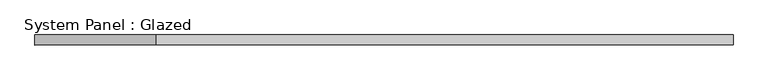
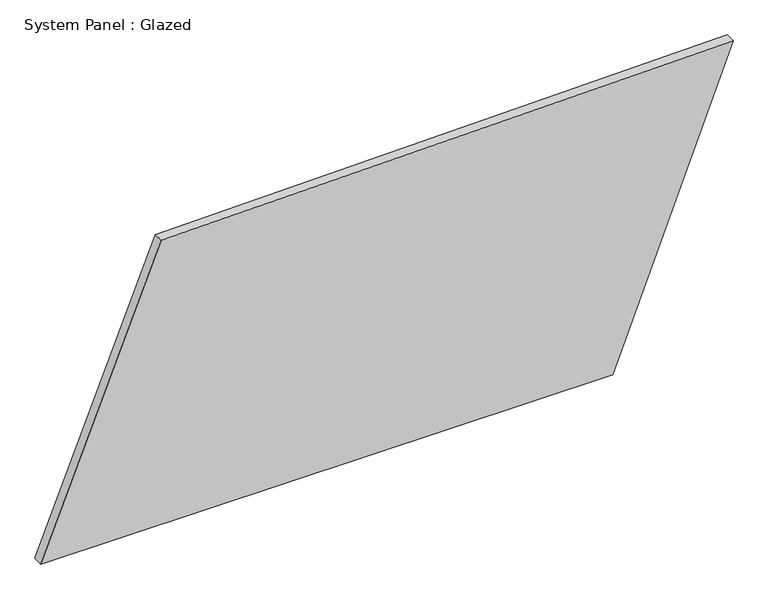
"""IFC4 building model written with IfcOpenShell, lengths in millimetres: plate geometry, System Panel : Glazed."""

from ifc_helpers import new_model, si_unit, frame, origin, place, context, project, spatial, polyline, outline, extrude, source, transform, mapped, element, save


def system_panel_glazed_ad3c7f7f(model_context):
    return source(origin(), model_context, "Body", "SweptSolid", [
        extrude(outline(polyline([(0.0, -868.5294948), (0.0, 566.8994768), (780.0745171, 868.5294948), (753.102206, -566.4843678), (0.0, -868.5294948)])), frame((0.0, -49.5, 0.0), z_axis=(0.0, 1.0, 0.0), x_axis=(0.0, 0.0, 1.0)), (0.0, 0.0, 1.0), 25.0),
    ])


if __name__ == "__main__":
    model = new_model("IFC4")
    model_context = context("Model", 3, world=origin())
    ifc_project = project(units=[si_unit("LENGTHUNIT", "METRE", prefix="MILLI")], contexts=[model_context])
    site = spatial("IfcSite", under=ifc_project)
    building = spatial("IfcBuilding", under=site)
    placement = place(None, origin())
    system_panel_glazed_shape = system_panel_glazed_ad3c7f7f(model_context)
    element("IfcPlate", 1, ObjectType="System Panel : Glazed", at=placement, inside=building, context=model_context, shape_type="MappedRepresentation", body=[
        mapped(system_panel_glazed_shape, transform((0.0, 0.0, 0.0), x_axis=(1.0, 0.0, 0.0), y_axis=(0.0, 1.0, 0.0), z_axis=(0.0, 0.0, 1.0))),
    ])
    save(model, "model.ifc")
